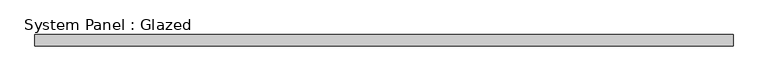
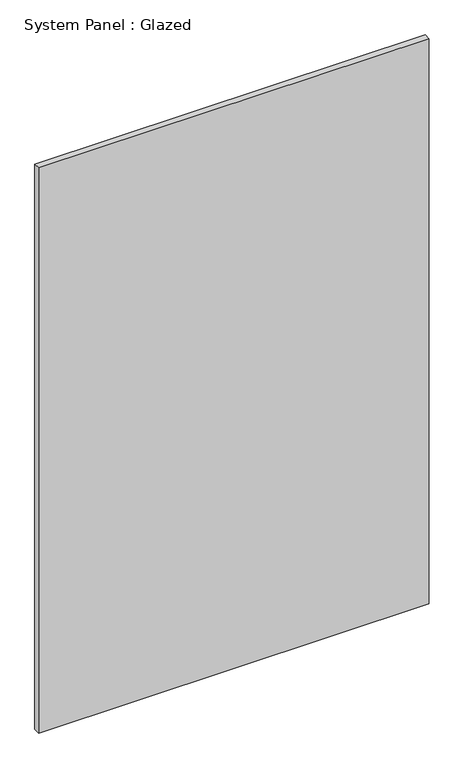
"""IFC4 building model written with IfcOpenShell, lengths in millimetres: plate geometry, System Panel : Glazed."""

from ifc_helpers import new_model, si_unit, origin, origin_with_axes, place, context, project, spatial, polyline, outline, extrude, source, transform, mapped, element, save


def system_panel_glazed_d4860171(model_context):
    return source(origin(), model_context, "Body", "SweptSolid", [
        extrude(outline(polyline([(759.9999999, 24.5), (-759.9999999, 24.5), (-759.9999999, 49.5), (759.9999999, 49.5), (759.9999999, 24.5)])), origin_with_axes(), (0.0, 0.0, 1.0), 2325.0),
    ])


if __name__ == "__main__":
    model = new_model("IFC4")
    model_context = context("Model", 3, world=origin())
    ifc_project = project(units=[si_unit("LENGTHUNIT", "METRE", prefix="MILLI")], contexts=[model_context])
    site = spatial("IfcSite", under=ifc_project)
    building = spatial("IfcBuilding", under=site)
    placement = place(None, origin())
    system_panel_glazed_shape = system_panel_glazed_d4860171(model_context)
    element("IfcPlate", 1, ObjectType="System Panel : Glazed", at=placement, inside=building, context=model_context, shape_type="MappedRepresentation", body=[
        mapped(system_panel_glazed_shape, transform((0.0, 0.0, 0.0), x_axis=(1.0, 0.0, 0.0), y_axis=(0.0, 1.0, 0.0), z_axis=(0.0, 0.0, 1.0))),
    ])
    save(model, "model.ifc")
